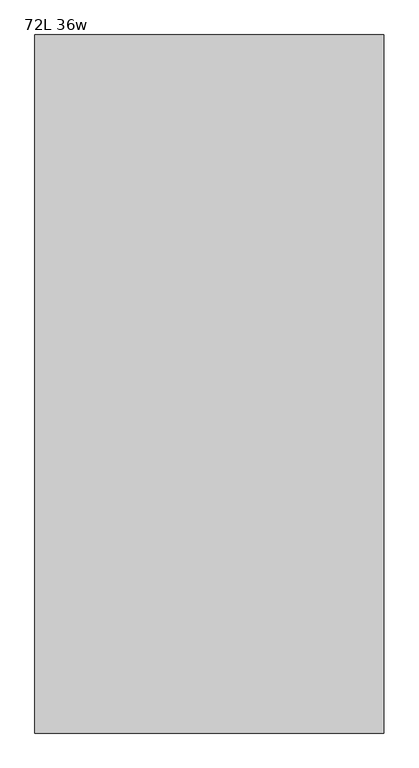
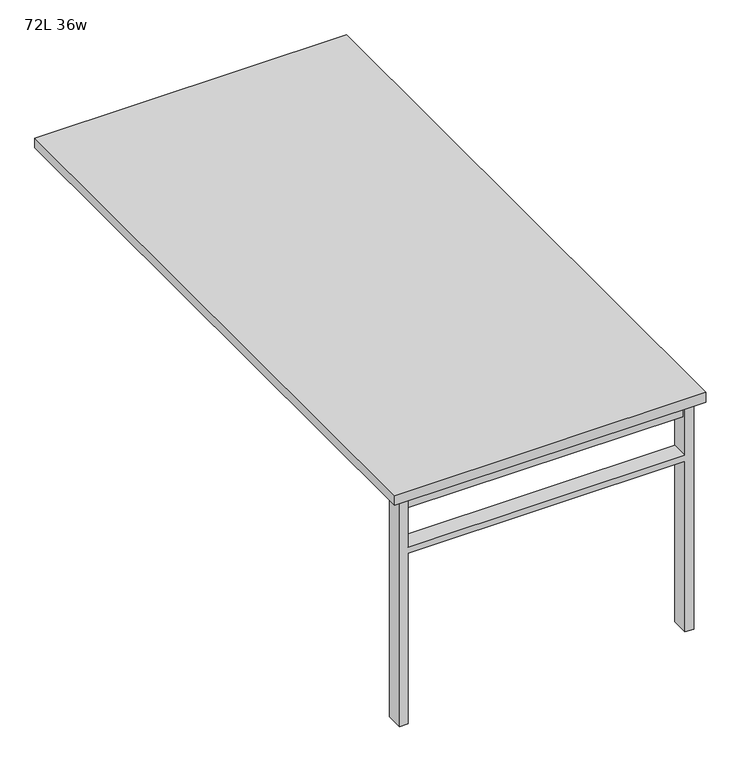
"""IFC4 building model written with IfcOpenShell, lengths in millimetres: furniture geometry, 72L 36w."""

from ifc_helpers import new_model, si_unit, frame, origin, place, context, project, spatial, polyline, outline, extrude, source, transform, mapped, element, save


def furniture_72l_36w_2dfd10e7(model_context):
    return source(origin(), model_context, "Body", "SweptSolid", [
        extrude(outline(polyline([(-406.4, -854.075), (406.4, -854.075), (406.4, -885.825), (-406.4, -885.825), (-406.4, -854.075)])), frame((0.0, 0.0, 661.9875), z_axis=(0.0, 0.0, 1.0), x_axis=(1.0, 0.0, 0.0)), (0.0, 0.0, 1.0), 44.45),
        extrude(outline(polyline([(528.6375, 406.4), (0.0, 406.4), (0.0, 431.8), (706.4375, 431.8), (706.4375, 406.4), (547.6875, 406.4), (547.6875, -406.4), (706.4375, -406.4), (706.4375, -431.8), (0.0, -431.8), (0.0, -406.4), (528.6375, -406.4), (528.6375, 406.4)])), frame((0.0, -895.35, 0.0), z_axis=(0.0, 1.0, 0.0), x_axis=(0.0, 0.0, 1.0)), (0.0, 0.0, 1.0), 50.8),
        extrude(outline(polyline([(-457.2, -914.4), (-457.2, 914.4), (457.2, 914.4), (457.2, -914.4), (-457.2, -914.4)])), frame((0.0, 0.0, 706.4375), z_axis=(0.0, 0.0, 1.0), x_axis=(1.0, 0.0, 0.0)), (0.0, 0.0, 1.0), 30.1625),
    ])


if __name__ == "__main__":
    model = new_model("IFC4")
    model_context = context("Model", 3, world=origin())
    ifc_project = project(units=[si_unit("LENGTHUNIT", "METRE", prefix="MILLI")], contexts=[model_context])
    site = spatial("IfcSite", under=ifc_project)
    building = spatial("IfcBuilding", under=site)
    placement = place(None, origin())
    furniture_72l_36w_shape = furniture_72l_36w_2dfd10e7(model_context)
    element("IfcFurniture", 1, ObjectType="72L 36w", at=placement, inside=building, context=model_context, shape_type="MappedRepresentation", body=[
        mapped(furniture_72l_36w_shape, transform((0.0, 0.0, 0.0), x_axis=(1.0, 0.0, 0.0), y_axis=(0.0, 1.0, 0.0), z_axis=(0.0, 0.0, 1.0))),
    ])
    save(model, "model.ifc")
